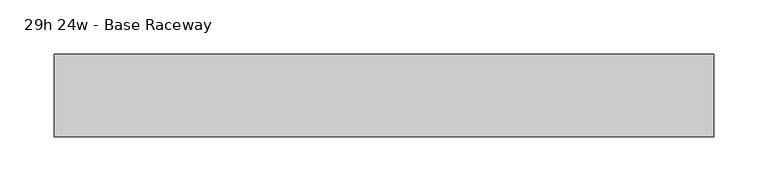
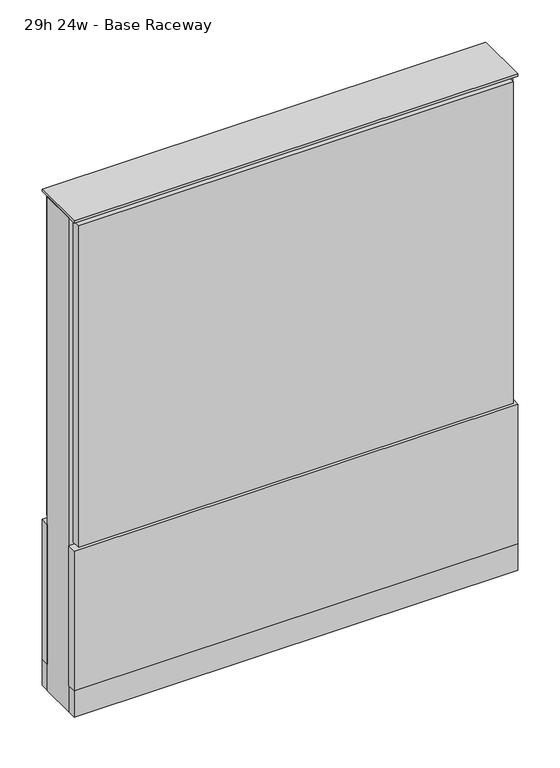
"""IFC4 building model written with IfcOpenShell, lengths in millimetres: furniture geometry, 29h 24w - Base Raceway."""

from ifc_helpers import new_model, si_unit, point, frame, frame_2d, origin, origin_with_axes, place, context, project, spatial, polyline, circle_curve, trimmed, segment, composite_curve, outline, extrude, source, transform, mapped, element, save


def furniture_29h_24w_base_raceway_f3125caa(model_context):
    return source(origin(), model_context, "Body", "SweptSolid", [
        extrude(outline(composite_curve([segment(trimmed(circle_curve(frame_2d((231.0402902, 0.0)), 12.7), [point((218.3402902, 0.0))], [point((243.7402902, 0.0))], False, "CARTESIAN"), True, "CONTINUOUS"), segment(trimmed(circle_curve(frame_2d((231.0402902, 0.0)), 12.7), [point((243.7402902, 0.0))], [point((218.3402902, 0.0))], False, "CARTESIAN"), True, "CONTINUOUS")], self_intersect=False)), origin_with_axes(), (0.0, 0.0, 1.0), 12.7),
        extrude(outline(composite_curve([segment(trimmed(circle_curve(frame_2d((-226.1597098, 0.0)), 12.7), [point((-238.8597098, 0.0))], [point((-213.4597098, 0.0))], False, "CARTESIAN"), True, "CONTINUOUS"), segment(trimmed(circle_curve(frame_2d((-226.1597098, 0.0)), 12.7), [point((-213.4597098, 0.0))], [point((-238.8597098, 0.0))], False, "CARTESIAN"), True, "CONTINUOUS")], self_intersect=False)), origin_with_axes(), (0.0, 0.0, 1.0), 12.7),
        extrude(outline(polyline([(300.8902902, 38.1), (300.8902902, 25.4), (-296.0097098, 25.4), (-296.0097098, 38.1), (300.8902902, 38.1)])), frame((0.0, 0.0, 257.175), z_axis=(0.0, 0.0, 1.0), x_axis=(1.0, 0.0, 0.0)), (0.0, 0.0, 1.0), 466.725),
        extrude(outline(polyline([(307.2402902, 38.1), (307.2402902, 25.4), (-302.3597098, 25.4), (-302.3597098, 38.1), (307.2402902, 38.1)])), frame((0.0, 0.0, 50.8), z_axis=(0.0, 0.0, 1.0), x_axis=(1.0, 0.0, 0.0)), (0.0, 0.0, 1.0), 203.2),
        extrude(outline(polyline([(307.2402902, -38.1), (-302.3597098, -38.1), (-302.3597098, -25.4), (307.2402902, -25.4), (307.2402902, -38.1)])), frame((0.0, 0.0, 50.8), z_axis=(0.0, 0.0, 1.0), x_axis=(1.0, 0.0, 0.0)), (0.0, 0.0, 1.0), 203.2),
        extrude(outline(polyline([(300.8902902, -38.1), (-296.0097098, -38.1), (-296.0097098, -25.4), (300.8902902, -25.4), (300.8902902, -38.1)])), frame((0.0, 0.0, 257.175), z_axis=(0.0, 0.0, 1.0), x_axis=(1.0, 0.0, 0.0)), (0.0, 0.0, 1.0), 466.725),
        extrude(outline(polyline([(307.2402902, 25.4), (307.2402902, -25.4), (-302.3597098, -25.4), (-302.3597098, 25.4), (307.2402902, 25.4)])), frame((0.0, 0.0, 12.7), z_axis=(0.0, 0.0, 1.0), x_axis=(1.0, 0.0, 0.0)), (0.0, 0.0, 1.0), 717.55),
        extrude(outline(polyline([(-302.3597098, -38.1), (-302.3597098, 38.1), (307.2402902, 38.1), (307.2402902, -38.1), (-302.3597098, -38.1)])), frame((0.0, 0.0, 12.7), z_axis=(0.0, 0.0, 1.0), x_axis=(1.0, 0.0, 0.0)), (0.0, 0.0, 1.0), 38.1),
        extrude(outline(polyline([(-302.3597098, -38.1), (-302.3597098, 38.1), (307.2402902, 38.1), (307.2402902, -38.1), (-302.3597098, -38.1)])), frame((0.0, 0.0, 730.25), z_axis=(0.0, 0.0, 1.0), x_axis=(1.0, 0.0, 0.0)), (0.0, 0.0, 1.0), 3.175),
    ])


if __name__ == "__main__":
    model = new_model("IFC4")
    model_context = context("Model", 3, world=origin())
    ifc_project = project(units=[si_unit("LENGTHUNIT", "METRE", prefix="MILLI")], contexts=[model_context])
    site = spatial("IfcSite", under=ifc_project)
    building = spatial("IfcBuilding", under=site)
    placement = place(None, origin())
    furniture_29h_24w_base_raceway_shape = furniture_29h_24w_base_raceway_f3125caa(model_context)
    element("IfcFurniture", 1, ObjectType="29h 24w - Base Raceway", at=placement, inside=building, context=model_context, shape_type="MappedRepresentation", body=[
        mapped(furniture_29h_24w_base_raceway_shape, transform((0.0, 0.0, 0.0), x_axis=(1.0, 0.0, 0.0), y_axis=(0.0, 1.0, 0.0), z_axis=(0.0, 0.0, 1.0))),
    ])
    save(model, "model.ifc")
